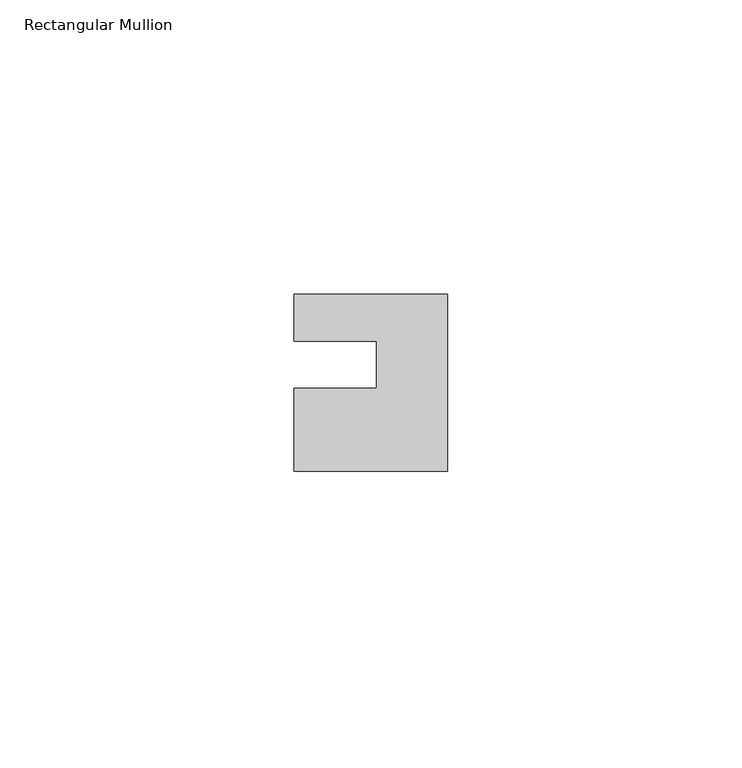
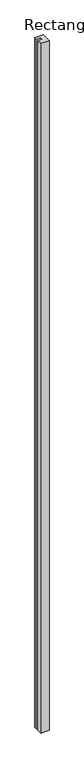
"""IFC4 building model written with IfcOpenShell, lengths in millimetres: member geometry, Rectangular Mullion."""

import ifcopenshell
import ifcopenshell.guid

model = None  # the IFC model being written
_history = None  # IfcOwnerHistory: only IFC2X3 demands one
_inside = {}  # id of a spatial element -> (the spatial element, [elements in it])
_under = {}  # id of a project, library or spatial element -> (it, [spatial elements below it])
_declared = {}  # id of a project -> (the project, [libraries it declares])
_typed = {}  # id of a type object -> (the type object, [elements of that type])
_made_of = {}  # id of a material, layer set ... -> (it, [elements and type objects made of it])


def new_model(schema):
    """Start an empty IFC model of exactly this schema.

    Asked for "IFC4X3", IfcOpenShell would pick the latest addendum, in which some entities
    have other attributes; the version numbers below select the first issue.
    IFC2X3 requires an IfcOwnerHistory on every rooted entity: one is made here for all.
    """
    global model, _history
    if schema == "IFC4X3":
        model = ifcopenshell.file(schema_version=(4, 3, 0, 0))
    else:
        model = ifcopenshell.file(schema=schema)
    _inside.clear()
    _under.clear()
    _declared.clear()
    _typed.clear()
    _made_of.clear()
    _history = None
    if model.schema == "IFC2X3":
        org = make("IfcOrganization", Name="unknown")
        user = make(
            "IfcPersonAndOrganization",
            ThePerson=make("IfcPerson", FamilyName="unknown"),
            TheOrganization=org,
        )
        app = make(
            "IfcApplication",
            ApplicationDeveloper=org,
            Version="unknown",
            ApplicationFullName="unknown",
            ApplicationIdentifier="unknown",
        )
        _history = make(
            "IfcOwnerHistory",
            OwningUser=user,
            OwningApplication=app,
            ChangeAction="ADDED",
            CreationDate=0,
        )
    return model


def make(cls, **values):
    """One entity of the class cls with the attributes given. An attribute that is None is left unset."""
    return model.create_entity(
        cls, **{name: value for name, value in values.items() if value is not None}
    )


def rooted(cls, **values):
    """An entity with a GlobalId (a new one), such as an element, a storey or a relation."""
    return make(cls, GlobalId=ifcopenshell.guid.new(), OwnerHistory=_history, **values)


def si_unit(unit_type, name, prefix=None):
    """IfcSIUnit, for example si_unit("LENGTHUNIT", "METRE", prefix="MILLI")."""
    return make("IfcSIUnit", UnitType=unit_type, Prefix=prefix, Name=name)


def assignment(units):
    """IfcUnitAssignment: the units of a project."""
    return None if units is None else make("IfcUnitAssignment", Units=units)


def point(xyz):
    """IfcCartesianPoint."""
    return None if xyz is None else make("IfcCartesianPoint", Coordinates=xyz)


def direction(xyz):
    """IfcDirection."""
    return None if xyz is None else make("IfcDirection", DirectionRatios=xyz)


def frame(location, z_axis=None, x_axis=None):
    """IfcAxis2Placement3D, a coordinate frame: its origin and axes. An axis left out is left unset."""
    return make(
        "IfcAxis2Placement3D",
        Location=point(location),
        Axis=direction(z_axis),
        RefDirection=direction(x_axis),
    )


def origin():
    """The frame at (0, 0, 0) with its axes left unset."""
    return frame((0.0, 0.0, 0.0))


def place(relative_to, where):
    """IfcLocalPlacement: puts the frame where relative to a parent placement (None: the world)."""
    return make(
        "IfcLocalPlacement", PlacementRelTo=relative_to, RelativePlacement=where
    )


def context(
    kind, dimensions, precision=None, world=None, true_north=None, identifier=None
):
    """IfcGeometricRepresentationContext, for example the 3D "Model" context."""
    return make(
        "IfcGeometricRepresentationContext",
        ContextIdentifier=identifier,
        ContextType=kind,
        CoordinateSpaceDimension=dimensions,
        Precision=precision,
        WorldCoordinateSystem=world,
        TrueNorth=true_north,
    )


def project(units=None, contexts=None):
    """IfcProject with its units and contexts."""
    return rooted(
        "IfcProject",
        Name="project",
        RepresentationContexts=contexts,
        UnitsInContext=assignment(units),
    )


def spatial(cls, under=None, at=None, **own):
    """A site, building, storey or space (cls), placed at a placement, below another one or the project."""
    s = rooted(cls, ObjectPlacement=at, **own)
    if under is not None:
        _under.setdefault(under.id(), (under, []))[1].append(s)
    return s


def polyline(points):
    """IfcPolyline through the points."""
    return make("IfcPolyline", Points=[point(p) for p in points])


def outline(outer, holes=None, kind="AREA"):
    """IfcArbitraryClosedProfileDef: a profile drawn as a closed curve; with holes, ...WithVoids."""
    if holes is None:
        return make("IfcArbitraryClosedProfileDef", ProfileType=kind, OuterCurve=outer)
    return make(
        "IfcArbitraryProfileDefWithVoids",
        ProfileType=kind,
        OuterCurve=outer,
        InnerCurves=holes,
    )


def extrude(swept, where, along, depth):
    """IfcExtrudedAreaSolid: the profile swept, set in the frame where, extruded along a direction by depth."""
    return make(
        "IfcExtrudedAreaSolid",
        SweptArea=swept,
        Position=where,
        ExtrudedDirection=direction(along),
        Depth=depth,
    )


def shape(context_of_items, identifier, shape_type, items):
    """IfcShapeRepresentation: the items that make up one representation, for example the "Body"."""
    return make(
        "IfcShapeRepresentation",
        ContextOfItems=context_of_items,
        RepresentationIdentifier=identifier,
        RepresentationType=shape_type,
        Items=items,
    )


def source(mapping_origin, context_of_items, identifier, shape_type, items):
    """IfcRepresentationMap: a shape defined once, which mapped items show again and again."""
    return make(
        "IfcRepresentationMap",
        MappingOrigin=mapping_origin,
        MappedRepresentation=shape(context_of_items, identifier, shape_type, items),
    )


def transform(
    local_origin,
    x_axis=None,
    y_axis=None,
    z_axis=None,
    scale=None,
    scale2=None,
    scale3=None,
    uniform=True,
):
    """IfcCartesianTransformationOperator3D, or its non-uniform kind. x_axis, y_axis, z_axis: its Axis1, 2, 3."""
    if uniform:
        return make(
            "IfcCartesianTransformationOperator3D",
            Axis1=direction(x_axis),
            Axis2=direction(y_axis),
            LocalOrigin=point(local_origin),
            Scale=scale,
            Axis3=direction(z_axis),
        )
    return make(
        "IfcCartesianTransformationOperator3DnonUniform",
        Axis1=direction(x_axis),
        Axis2=direction(y_axis),
        LocalOrigin=point(local_origin),
        Scale=scale,
        Axis3=direction(z_axis),
        Scale2=scale2,
        Scale3=scale3,
    )


def mapped(mapping_source, mapping_target):
    """IfcMappedItem: shows the shape of a source again, moved by a transform."""
    return make(
        "IfcMappedItem", MappingSource=mapping_source, MappingTarget=mapping_target
    )


def made_of(thing, what):
    """Note that an element or type object is made of a material, layer set ...; save() writes the relation."""
    if what is not None:
        _made_of.setdefault(what.id(), (what, []))[1].append(thing)
    return thing


def element(
    cls,
    number,
    at=None,
    inside=None,
    cuts=None,
    type_object=None,
    material=None,
    context=None,
    identifier="Body",
    shape_type=None,
    held_by="IfcProductDefinitionShape",
    body=None,
    shapes=None,
    **own,
):
    """One element of the class cls, such as IfcWall. Its Tag is "e" and its number.

    at: its placement. inside: the storey or other place that contains it. cuts: it is an
    opening in that element (IfcRelVoidsElement). A single representation is given by context,
    identifier, shape_type and body (its items); several are given by shapes. held_by: the class
    of the entity that holds the representations. save() writes the other relations.
    """
    e = rooted(cls, Tag="e%d" % number, ObjectPlacement=at, **own)
    if body is not None:
        shapes = [shape(context, identifier, shape_type, body)]
    if shapes is not None:
        e.Representation = make(held_by, Representations=shapes)
    if inside is not None:
        _inside.setdefault(inside.id(), (inside, []))[1].append(e)
    if cuts is not None:
        rooted(
            "IfcRelVoidsElement", RelatingBuildingElement=cuts, RelatedOpeningElement=e
        )
    if type_object is not None:
        _typed.setdefault(type_object.id(), (type_object, []))[1].append(e)
    return made_of(e, material)


def aggregate(whole, parts):
    """IfcRelAggregates: a whole, such as a stair, and the parts it consists of."""
    return rooted("IfcRelAggregates", RelatingObject=whole, RelatedObjects=parts)


def save(model, path):
    """Write the relations noted so far, then the file.

    IfcRelAggregates (storeys below a building ...), IfcRelContainedInSpatialStructure (elements
    in a storey), IfcRelDefinesByType, IfcRelAssociatesMaterial and IfcRelDeclares: one each for
    every whole, place, type object, material and project.
    """
    for whole, parts in _under.values():
        aggregate(whole, parts)
    for where, things in _inside.values():
        rooted(
            "IfcRelContainedInSpatialStructure",
            RelatedElements=things,
            RelatingStructure=where,
        )
    for kind, things in _typed.values():
        rooted("IfcRelDefinesByType", RelatedObjects=things, RelatingType=kind)
    for what, things in _made_of.values():
        rooted("IfcRelAssociatesMaterial", RelatedObjects=things, RelatingMaterial=what)
    for by, libraries in _declared.values():
        rooted("IfcRelDeclares", RelatingContext=by, RelatedDefinitions=libraries)
    model.write(path)


def rectangular_mullion_f3d1f759(model_context):
    return source(origin(), model_context, "Body", "SweptSolid", [
        extrude(outline(polyline([(-26.0, 0.001), (-26.0, 7.94), (0.0, 7.94), (0.0, -22.06), (-26.0, -22.06), (-26.0, -8.0), (-12.0, -8.0), (-12.0, 0.001), (-26.0, 0.001)])), frame((0.0, 0.0, -2239.0), z_axis=(0.0, 0.0, 1.0), x_axis=(1.0, 0.0, 0.0)), (0.0, 0.0, 1.0), 2239.0),
    ])


if __name__ == "__main__":
    model = new_model("IFC4")
    model_context = context("Model", 3, world=origin())
    ifc_project = project(units=[si_unit("LENGTHUNIT", "METRE", prefix="MILLI")], contexts=[model_context])
    site = spatial("IfcSite", under=ifc_project)
    building = spatial("IfcBuilding", under=site)
    placement = place(None, origin())
    rectangular_mullion_shape = rectangular_mullion_f3d1f759(model_context)
    element("IfcMember", 1, ObjectType="Rectangular Mullion", at=placement, inside=building, context=model_context, shape_type="MappedRepresentation", body=[
        mapped(rectangular_mullion_shape, transform((0.0, 0.0, 0.0), x_axis=(1.0, 0.0, 0.0), y_axis=(0.0, 1.0, 0.0), z_axis=(0.0, 0.0, 1.0))),
    ])
    save(model, "model.ifc")
